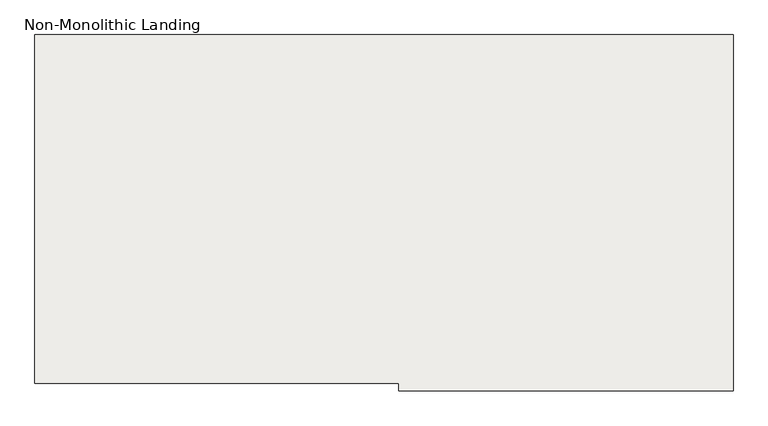
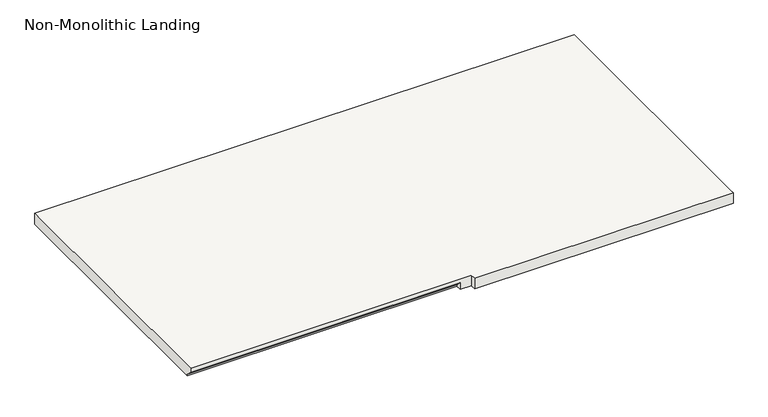
"""IFC4 building model written with IfcOpenShell, lengths in millimetres: slab geometry, Non-Monolithic Landing."""

from ifc_helpers import new_model, si_unit, origin, place, context, project, spatial, faceted_brep, source, transform, mapped, element, save


def non_monolithic_landing_4dfefd74(model_context):
    return source(origin(), model_context, "Body", "Brep", [
        faceted_brep([(-374.3262394, 3966.5919233, 1185.3333333), (-374.3262394, 3941.1919233, 1185.3333333), (794.0737606, 3941.1919233, 1185.3333333), (794.0737606, 3966.5919233, 1185.3333333), (794.0737606, 5185.7919233, 1185.3333333), (-1644.3262394, 5185.7919233, 1185.3333333), (-1644.3262394, 3966.5919233, 1185.3333333), (-425.1262394, 3991.9919233, 1134.5333333), (-1644.3262394, 3991.9919233, 1134.5333333), (-1644.3262394, 5185.7919233, 1134.5333333), (794.0737606, 5185.7919233, 1134.5333333), (794.0737606, 3966.5919233, 1134.5333333), (794.0737606, 3941.1919233, 1134.5333333), (-374.3262394, 3941.1919233, 1134.5333333), (-374.3262394, 3966.5919233, 1134.5333333), (-425.1262394, 3966.5919233, 1134.5333333), (-1644.3262394, 3991.9919233, 1140.8833333), (-1644.3262394, 3966.5919233, 1166.2833333), (-425.1262394, 3991.9919233, 1140.8833333), (-425.1262394, 3966.5919233, 1166.2833333)], [[[0, 1, 2, 3, 4, 5, 6]], [[7, 8, 9, 10, 11, 12, 13, 14, 15]], [[4, 3, 11, 10]], [[5, 4, 10, 9]], [[6, 5, 9, 8, 16, 17]], [[17, 16, 18, 19]], [[8, 7, 18, 16]], [[7, 15, 19, 18]], [[0, 6, 17, 19, 15, 14]], [[1, 0, 14, 13]], [[2, 1, 13, 12]], [[3, 2, 12, 11]]]),
    ])


if __name__ == "__main__":
    model = new_model("IFC4")
    model_context = context("Model", 3, world=origin())
    ifc_project = project(units=[si_unit("LENGTHUNIT", "METRE", prefix="MILLI")], contexts=[model_context])
    site = spatial("IfcSite", under=ifc_project)
    building = spatial("IfcBuilding", under=site)
    placement = place(None, origin())
    non_monolithic_landing_shape = non_monolithic_landing_4dfefd74(model_context)
    element("IfcSlab", 1, ObjectType="Non-Monolithic Landing", at=placement, inside=building, context=model_context, shape_type="MappedRepresentation", body=[
        mapped(non_monolithic_landing_shape, transform((0.0, 0.0, 0.0), x_axis=(1.0, 0.0, 0.0), y_axis=(0.0, 1.0, 0.0), z_axis=(0.0, 0.0, 1.0))),
    ])
    save(model, "model.ifc")
